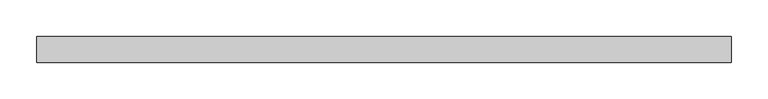
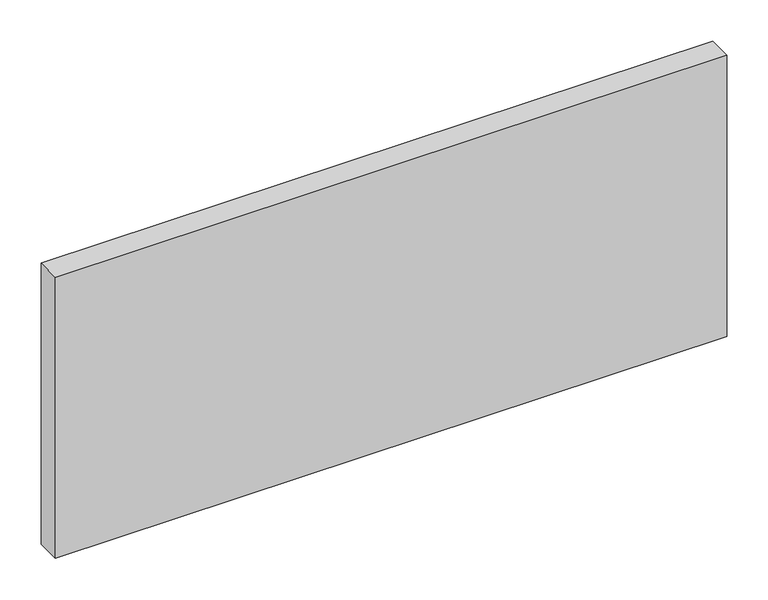
"""IFC4 building model written with IfcOpenShell, lengths in millimetres: plate geometry."""

from ifc_helpers import new_model, si_unit, origin, origin_with_axes, place, context, project, spatial, polyline, outline, extrude, source, transform, mapped, element, save


def plate_37fc4549(model_context):
    return source(origin(), model_context, "Body", "SweptSolid", [
        extrude(outline(polyline([(471.5178571, -17.5), (-471.5178571, -17.5), (-471.5178571, 17.5), (471.5178571, 17.5), (471.5178571, -17.5)])), origin_with_axes(), (0.0, 0.0, 1.0), 417.625),
    ])


if __name__ == "__main__":
    model = new_model("IFC4")
    model_context = context("Model", 3, world=origin())
    ifc_project = project(units=[si_unit("LENGTHUNIT", "METRE", prefix="MILLI")], contexts=[model_context])
    site = spatial("IfcSite", under=ifc_project)
    building = spatial("IfcBuilding", under=site)
    placement = place(None, origin())
    plate_shape = plate_37fc4549(model_context)
    element("IfcPlate", 1, at=placement, inside=building, context=model_context, shape_type="MappedRepresentation", body=[
        mapped(plate_shape, transform((0.0, 0.0, 0.0), x_axis=(1.0, 0.0, 0.0), y_axis=(0.0, 1.0, 0.0), z_axis=(0.0, 0.0, 1.0))),
    ])
    save(model, "model.ifc")
